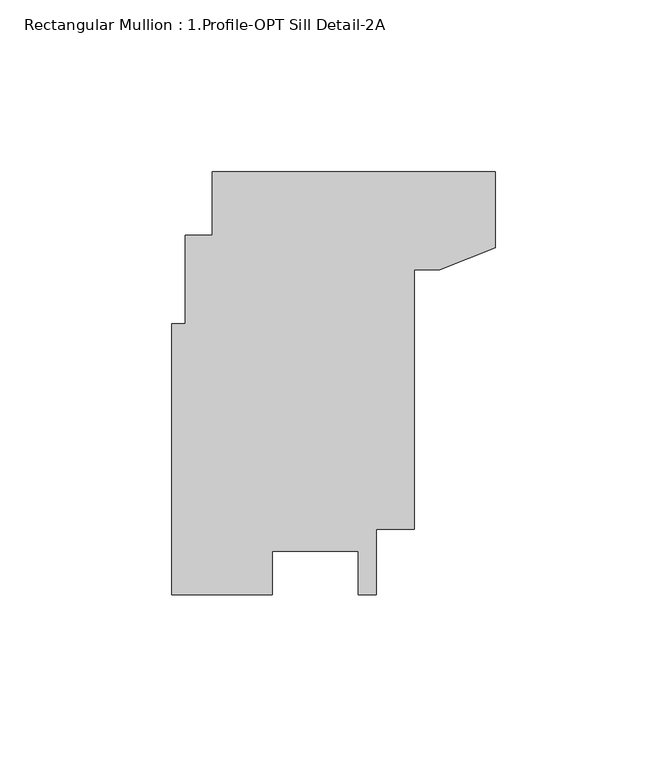
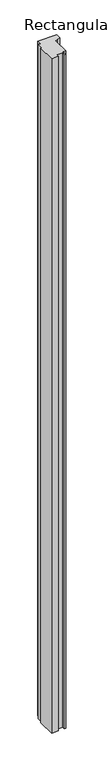
"""IFC4 building model written with IfcOpenShell, lengths in millimetres: member geometry, Rectangular Mullion : 1.Profile-OPT Sill Detail-2A."""

from ifc_helpers import new_model, si_unit, frame, origin, place, context, project, spatial, polyline, outline, extrude, source, transform, mapped, element, save


def rectangular_mullion_1_profile_opt_sill_detail_2a_fdeff2e4(model_context):
    return source(origin(), model_context, "Body", "SweptSolid", [
        extrude(outline(polyline([(-65.0469354, -49.4539348), (-65.0469354, -62.1365136), (-94.3591337, -62.1365136), (-94.3591337, 16.7497583), (-90.3400428, 16.7497583), (-90.3400428, 42.6271366), (-82.5533517, 42.6271366), (-82.5533517, 61.1498154), (0.0, 61.1498154), (0.0, 38.9229446), (-16.1786006, 32.5726547), (-23.6622787, 32.5726547), (-23.6622787, -43.1046931), (-34.6863262, -43.1046931), (-34.6863262, -62.1554665), (-39.8935376, -62.1554665), (-39.8935376, -49.4539348), (-65.0469354, -49.4539348)])), frame((0.0, 0.0, -3048.0), z_axis=(0.0, 0.0, 1.0), x_axis=(1.0, 0.0, 0.0)), (0.0, 0.0, 1.0), 3048.0),
    ])


if __name__ == "__main__":
    model = new_model("IFC4")
    model_context = context("Model", 3, world=origin())
    ifc_project = project(units=[si_unit("LENGTHUNIT", "METRE", prefix="MILLI")], contexts=[model_context])
    site = spatial("IfcSite", under=ifc_project)
    building = spatial("IfcBuilding", under=site)
    placement = place(None, origin())
    rectangular_mullion_1_profile_opt_sill_detail_2a_shape = rectangular_mullion_1_profile_opt_sill_detail_2a_fdeff2e4(model_context)
    element("IfcMember", 1, ObjectType="Rectangular Mullion : 1.Profile-OPT Sill Detail-2A", at=placement, inside=building, context=model_context, shape_type="MappedRepresentation", body=[
        mapped(rectangular_mullion_1_profile_opt_sill_detail_2a_shape, transform((0.0, 0.0, 0.0), x_axis=(1.0, 0.0, 0.0), y_axis=(0.0, 1.0, 0.0), z_axis=(0.0, 0.0, 1.0))),
    ])
    save(model, "model.ifc")
